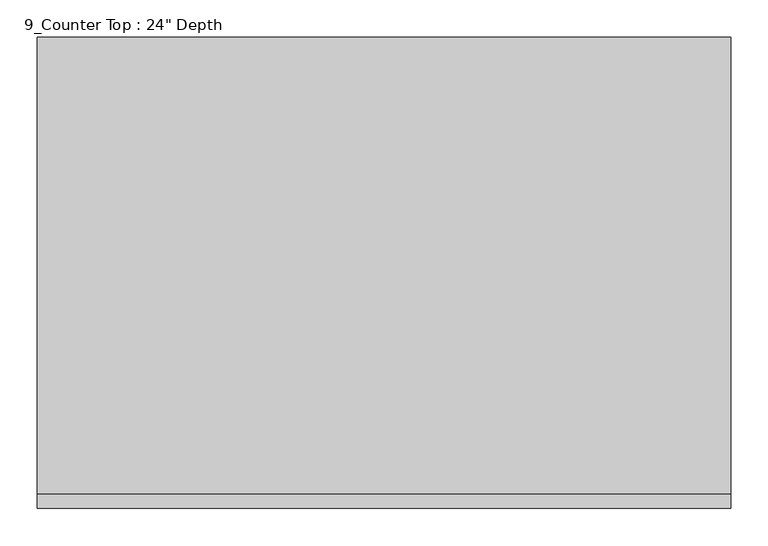
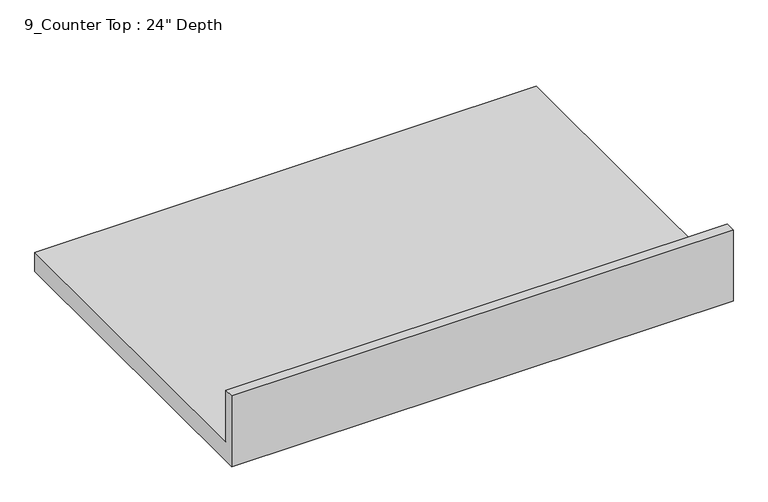
"""IFC4 building model written with IfcOpenShell, lengths in millimetres: furniture geometry."""

from ifc_helpers import new_model, si_unit, frame, origin, place, context, project, spatial, polyline, outline, extrude, source, transform, mapped, element, save


def furniture_3828881e(model_context):
    return source(origin(), model_context, "Body", "SweptSolid", [
        extrude(outline(polyline([(0.0, 1016.0), (19.05, 1016.0), (19.05, 914.4), (635.0, 914.4), (635.0, 876.3), (0.0, 876.3), (0.0, 1016.0)])), frame((-1200.4622951, 0.0, 0.0), z_axis=(1.0, 0.0, 0.0), x_axis=(0.0, 1.0, 0.0)), (0.0, 0.0, 1.0), 934.6129287),
    ])


if __name__ == "__main__":
    model = new_model("IFC4")
    model_context = context("Model", 3, world=origin())
    ifc_project = project(units=[si_unit("LENGTHUNIT", "METRE", prefix="MILLI")], contexts=[model_context])
    site = spatial("IfcSite", under=ifc_project)
    building = spatial("IfcBuilding", under=site)
    placement = place(None, origin())
    furniture_shape = furniture_3828881e(model_context)
    element("IfcFurniture", 1, ObjectType="9_Counter Top : 24\" Depth", at=placement, inside=building, context=model_context, shape_type="MappedRepresentation", body=[
        mapped(furniture_shape, transform((0.0, 0.0, 0.0), x_axis=(1.0, 0.0, 0.0), y_axis=(0.0, 1.0, 0.0), z_axis=(0.0, 0.0, 1.0))),
    ])
    save(model, "model.ifc")
